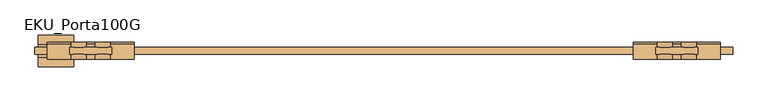
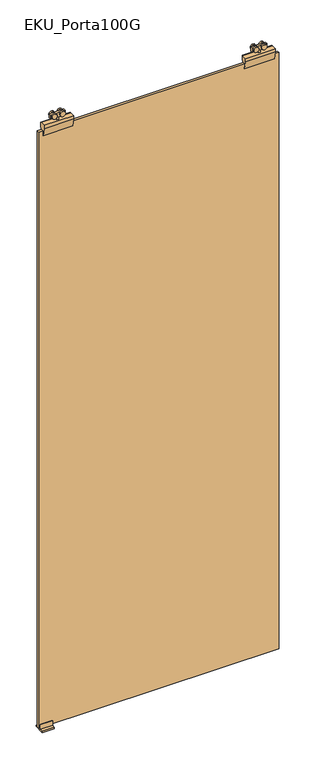
"""IFC4 building model written with IfcOpenShell, lengths in millimetres: door geometry, EKU_Porta100G."""

from ifc_helpers import new_model, si_unit, point, frame, frame_2d, origin, place, context, project, spatial, polyline, circle_curve, trimmed, segment, composite_curve, outline, extrude, source, transform, mapped, element, save


def eku_porta100g_13672f36(model_context):
    return source(origin(), model_context, "Body", "SweptSolid", [
        extrude(outline(polyline([(937.5, -12.25), (937.5, -2.25), (997.5, -2.25), (997.5, -12.25), (937.5, -12.25)])), frame((0.0, 0.0, 2672.4593609), z_axis=(0.0, 0.0, 1.0), x_axis=(1.0, 0.0, 0.0)), (0.0, 0.0, 1.0), 18.5406391),
        extrude(outline(composite_curve([segment(trimmed(circle_curve(frame_2d((2683.5071727, 950.3437193)), 11.0), [point((2683.5071727, 961.3437193))], [point((2683.5071727, 939.3437193))], False, "CARTESIAN"), True, "CONTINUOUS"), segment(trimmed(circle_curve(frame_2d((2683.5071727, 950.3437193)), 11.0), [point((2683.5071727, 939.3437193))], [point((2683.5071727, 961.3437193))], False, "CARTESIAN"), True, "CONTINUOUS")], self_intersect=False)), frame((0.0, -2.25, 0.0), z_axis=(0.0, 1.0, 0.0), x_axis=(0.0, 0.0, 1.0)), (0.0, 0.0, 1.0), 7.0),
        extrude(outline(composite_curve([segment(trimmed(circle_curve(frame_2d((2683.5, 950.3437193)), 11.0), [point((2683.5, 961.3437193))], [point((2683.5, 939.3437193))], False, "CARTESIAN"), True, "CONTINUOUS"), segment(trimmed(circle_curve(frame_2d((2683.5, 950.3437193)), 11.0), [point((2683.5, 939.3437193))], [point((2683.5, 961.3437193))], False, "CARTESIAN"), True, "CONTINUOUS")], self_intersect=False)), frame((0.0, -19.25, 0.0), z_axis=(0.0, 1.0, 0.0), x_axis=(0.0, 0.0, 1.0)), (0.0, 0.0, 1.0), 7.0),
        extrude(outline(composite_curve([segment(trimmed(circle_curve(frame_2d((2683.5071727, 984.7187193)), 11.0), [point((2683.5071727, 995.7187193))], [point((2683.5071727, 973.7187193))], False, "CARTESIAN"), True, "CONTINUOUS"), segment(trimmed(circle_curve(frame_2d((2683.5071727, 984.7187193)), 11.0), [point((2683.5071727, 973.7187193))], [point((2683.5071727, 995.7187193))], False, "CARTESIAN"), True, "CONTINUOUS")], self_intersect=False)), frame((0.0, -2.25, 0.0), z_axis=(0.0, 1.0, 0.0), x_axis=(0.0, 0.0, 1.0)), (0.0, 0.0, 1.0), 7.0),
        extrude(outline(composite_curve([segment(trimmed(circle_curve(frame_2d((2683.5, 984.7187193)), 11.0), [point((2683.5, 995.7187193))], [point((2683.5, 973.7187193))], False, "CARTESIAN"), True, "CONTINUOUS"), segment(trimmed(circle_curve(frame_2d((2683.5, 984.7187193)), 11.0), [point((2683.5, 973.7187193))], [point((2683.5, 995.7187193))], False, "CARTESIAN"), True, "CONTINUOUS")], self_intersect=False)), frame((0.0, -19.25, 0.0), z_axis=(0.0, 1.0, 0.0), x_axis=(0.0, 0.0, 1.0)), (0.0, 0.0, 1.0), 7.0),
        extrude(outline(polyline([(963.5, -2.25), (971.5, -2.25), (971.5, -12.25), (963.5, -12.25), (963.5, -2.25)])), frame((0.0, 0.0, 2661.0), z_axis=(0.0, 0.0, 1.0), x_axis=(1.0, 0.0, 0.0)), (0.0, 0.0, 1.0), 30.0),
        extrude(outline(polyline([(-19.25, 2661.0), (2.442747, 2661.0), (4.75, 2661.0), (4.75, 2647.0), (-2.25, 2612.0), (-2.25, 2634.0), (-12.25, 2634.0), (-12.25, 2612.0), (-19.25, 2647.0), (-19.25, 2661.0)])), frame((905.5, 0.0, 0.0), z_axis=(1.0, 0.0, 0.0), x_axis=(0.0, 1.0, 0.0)), (0.0, 0.0, 1.0), 124.0),
        extrude(outline(polyline([(157.5, -12.25), (97.5, -12.25), (97.5, -2.25), (157.5, -2.25), (157.5, -12.25)])), frame((0.0, 0.0, 2672.4593609), z_axis=(0.0, 0.0, 1.0), x_axis=(1.0, 0.0, 0.0)), (0.0, 0.0, 1.0), 18.5406391),
        extrude(outline(composite_curve([segment(trimmed(circle_curve(frame_2d((2683.5071727, 144.6562807)), 11.0), [point((2683.5071727, 133.6562807))], [point((2683.5071727, 155.6562807))], False, "CARTESIAN"), True, "CONTINUOUS"), segment(trimmed(circle_curve(frame_2d((2683.5071727, 144.6562807)), 11.0), [point((2683.5071727, 155.6562807))], [point((2683.5071727, 133.6562807))], False, "CARTESIAN"), True, "CONTINUOUS")], self_intersect=False)), frame((0.0, -2.25, 0.0), z_axis=(0.0, 1.0, 0.0), x_axis=(0.0, 0.0, 1.0)), (0.0, 0.0, 1.0), 7.0),
        extrude(outline(composite_curve([segment(trimmed(circle_curve(frame_2d((2683.5, 144.6562807)), 11.0), [point((2683.5, 133.6562807))], [point((2683.5, 155.6562807))], False, "CARTESIAN"), True, "CONTINUOUS"), segment(trimmed(circle_curve(frame_2d((2683.5, 144.6562807)), 11.0), [point((2683.5, 155.6562807))], [point((2683.5, 133.6562807))], False, "CARTESIAN"), True, "CONTINUOUS")], self_intersect=False)), frame((0.0, -19.25, 0.0), z_axis=(0.0, 1.0, 0.0), x_axis=(0.0, 0.0, 1.0)), (0.0, 0.0, 1.0), 7.0),
        extrude(outline(composite_curve([segment(trimmed(circle_curve(frame_2d((2683.5071727, 110.2812807)), 11.0), [point((2683.5071727, 99.2812807))], [point((2683.5071727, 121.2812807))], False, "CARTESIAN"), True, "CONTINUOUS"), segment(trimmed(circle_curve(frame_2d((2683.5071727, 110.2812807)), 11.0), [point((2683.5071727, 121.2812807))], [point((2683.5071727, 99.2812807))], False, "CARTESIAN"), True, "CONTINUOUS")], self_intersect=False)), frame((0.0, -2.25, 0.0), z_axis=(0.0, 1.0, 0.0), x_axis=(0.0, 0.0, 1.0)), (0.0, 0.0, 1.0), 7.0),
        extrude(outline(composite_curve([segment(trimmed(circle_curve(frame_2d((2683.5, 110.2812807)), 11.0), [point((2683.5, 99.2812807))], [point((2683.5, 121.2812807))], False, "CARTESIAN"), True, "CONTINUOUS"), segment(trimmed(circle_curve(frame_2d((2683.5, 110.2812807)), 11.0), [point((2683.5, 121.2812807))], [point((2683.5, 99.2812807))], False, "CARTESIAN"), True, "CONTINUOUS")], self_intersect=False)), frame((0.0, -19.25, 0.0), z_axis=(0.0, 1.0, 0.0), x_axis=(0.0, 0.0, 1.0)), (0.0, 0.0, 1.0), 7.0),
        extrude(outline(polyline([(131.5, -2.25), (131.5, -12.25), (123.5, -12.25), (123.5, -2.25), (131.5, -2.25)])), frame((0.0, 0.0, 2661.0), z_axis=(0.0, 0.0, 1.0), x_axis=(1.0, 0.0, 0.0)), (0.0, 0.0, 1.0), 30.0),
        extrude(outline(polyline([(-19.25, 2661.0), (2.442747, 2661.0), (4.75, 2661.0), (4.75, 2647.0), (-2.25, 2612.0), (-2.25, 2634.0), (-12.25, 2634.0), (-12.25, 2612.0), (-19.25, 2647.0), (-19.25, 2661.0)])), frame((65.5, 0.0, 0.0), z_axis=(1.0, 0.0, 0.0), x_axis=(0.0, 1.0, 0.0)), (0.0, 0.0, 1.0), 124.0),
        extrude(outline(polyline([(47.5, -2.25), (1047.5, -2.25), (1047.5, -12.25), (47.5, -12.25), (47.5, -2.25)])), frame((0.0, 0.0, 10.0), z_axis=(0.0, 0.0, 1.0), x_axis=(1.0, 0.0, 0.0)), (0.0, 0.0, 1.0), 2624.0),
        extrude(outline(polyline([(15.3483682, 5.75), (15.3483682, 0.0), (-29.8483682, 0.0), (-29.8483682, 5.75), (-16.1516318, 5.75), (-16.1516318, 26.0), (-12.25, 26.0), (-12.25, 10.0), (-2.25, 10.0), (-2.25, 26.0), (1.6516318, 26.0), (1.6516318, 5.75), (15.3483682, 5.75)])), frame((52.5, 0.0, 0.0), z_axis=(1.0, 0.0, 0.0), x_axis=(0.0, 1.0, 0.0)), (0.0, 0.0, 1.0), 50.4100933),
    ])


if __name__ == "__main__":
    model = new_model("IFC4")
    model_context = context("Model", 3, world=origin())
    ifc_project = project(units=[si_unit("LENGTHUNIT", "METRE", prefix="MILLI")], contexts=[model_context])
    site = spatial("IfcSite", under=ifc_project)
    building = spatial("IfcBuilding", under=site)
    placement = place(None, origin())
    eku_porta100g_shape = eku_porta100g_13672f36(model_context)
    element("IfcDoor", 1, ObjectType="EKU_Porta100G", at=placement, inside=building, context=model_context, shape_type="MappedRepresentation", body=[
        mapped(eku_porta100g_shape, transform((0.0, 0.0, 0.0), x_axis=(1.0, 0.0, 0.0), y_axis=(0.0, 1.0, 0.0), z_axis=(0.0, 0.0, 1.0))),
    ])
    save(model, "model.ifc")
